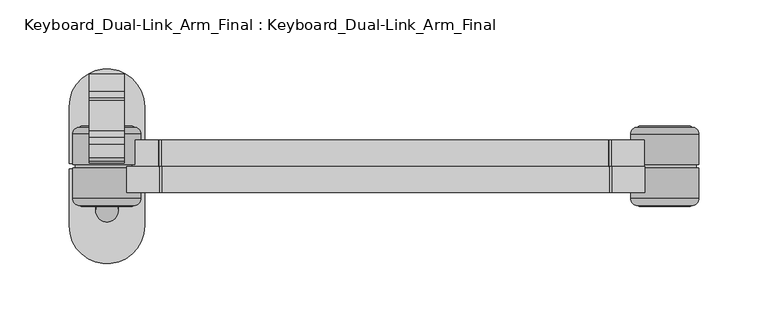
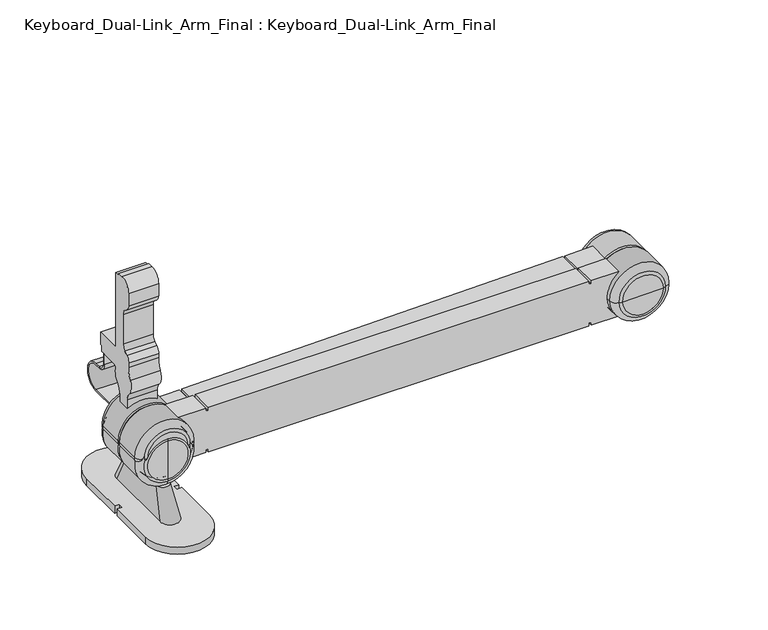
"""IFC4 building model written with IfcOpenShell, lengths in millimetres: proxy geometry, Keyboard_Dual-Link_Arm_Final : Keyboard_Dual-Link_Arm_Final."""

from ifc_helpers import new_model, si_unit, point, frame, frame_2d, origin, origin_with_axes, place, context, project, spatial, polyline, circle_curve, ellipse_curve, trimmed, segment, composite_curve, outline, extrude, source, transform, mapped, element, save
from ifc_brep_helpers import plane_surface, cylinder_surface, revolved_surface, spline_surface, advanced_brep


def keyboard_dual_link_arm_final_keyboard_dual_link_arm_final_a7557edf(model_context):
    return source(origin(), model_context, "Body", "SolidModel", [
        extrude(outline(composite_curve([segment(polyline([(8.2527066, 84.0033549), (8.2527066, 92.8465385)]), True, "CONTINUOUS"), segment(trimmed(circle_curve(frame_2d((-1.8257278, 92.8465385)), 10.0784343), [point((8.2527066, 92.8465385))], [point((5.5446429, 99.720582))], True, "CARTESIAN"), True, "CONTINUOUS"), segment(trimmed(circle_curve(frame_2d((14.0890625, 107.689613)), 11.683859), [point((5.5446429, 99.720582))], [point((3.772683, 113.174581))], False, "CARTESIAN"), True, "CONTINUOUS"), segment(trimmed(circle_curve(frame_2d((-15.0783759, 123.1972303)), 21.3498459), [point((3.772683, 113.174581))], [point((6.27147, 123.1972303))], True, "CARTESIAN"), True, "CONTINUOUS"), segment(polyline([(6.27147, 123.1972303), (6.27147, 126.9847873)]), True, "CONTINUOUS"), segment(trimmed(circle_curve(frame_2d((12.8151858, 127.1361352)), 6.5454658), [point((6.27147, 126.9847873))], [point((8.8749457, 132.3627622))], False, "CARTESIAN"), True, "CONTINUOUS"), segment(polyline([(8.8749457, 132.3627622), (11.7605246, 134.4142825)]), True, "CONTINUOUS"), segment(trimmed(circle_curve(frame_2d((7.8346579, 139.5355425)), 6.4528857), [point((11.7605246, 134.4142825))], [point((14.2875, 139.5592482))], True, "CARTESIAN"), True, "CONTINUOUS"), segment(polyline([(14.2875, 139.5592482), (14.2875, 165.99204)]), True, "CONTINUOUS"), segment(trimmed(circle_curve(frame_2d((7.8266129, 165.99204)), 6.4608871), [point((14.2875, 165.99204))], [point((11.7447872, 171.1292545))], True, "CARTESIAN"), True, "CONTINUOUS"), segment(polyline([(11.7447872, 171.1292545), (8.9597445, 173.2965044)]), True, "CONTINUOUS"), segment(trimmed(circle_curve(frame_2d((12.9196233, 178.38882)), 6.450761), [point((8.9597445, 173.2965044))], [point((6.4688622, 178.38882))], False, "CARTESIAN"), True, "CONTINUOUS"), segment(polyline([(6.4688622, 178.38882), (6.4688622, 189.2683024)]), True, "CONTINUOUS"), segment(trimmed(circle_curve(frame_2d((16.1477737, 189.2683024)), 9.6789115), [point((6.4688622, 189.2683024))], [point((16.1477737, 198.9472138))], False, "CARTESIAN"), True, "CONTINUOUS"), segment(polyline([(16.1477737, 198.9472138), (20.6607045, 198.9472138), (20.6607045, 196.784501), (25.5253784, 196.784501), (25.5253784, 129.8138648), (47.6090998, 129.8138648), (47.6090998, 118.7013648), (45.8138657, 118.7013648), (45.8138657, 113.6542976), (43.153389, 113.6542976), (43.153389, 104.1692684)]), True, "CONTINUOUS"), segment(trimmed(circle_curve(frame_2d((49.8582958, 104.1692684)), 6.7049069), [point((43.153389, 104.1692684))], [point((49.8582958, 97.4643615))], True, "CARTESIAN"), True, "CONTINUOUS"), segment(polyline([(49.8582958, 97.4643615), (54.4608333, 97.4643615)]), True, "CONTINUOUS"), segment(trimmed(circle_curve(frame_2d((54.4608333, 85.076563)), 12.3877984), [point((54.4608333, 97.4643615))], [point((54.4608333, 72.6887646))], False, "CARTESIAN"), True, "CONTINUOUS"), segment(polyline([(54.4608333, 72.6887646), (29.2471299, 72.6887646), (29.2471299, 73.9786083), (54.4608333, 73.9786083)]), True, "CONTINUOUS"), segment(trimmed(circle_curve(frame_2d((54.4608333, 85.076563)), 11.0979547), [point((54.4608333, 73.9786083))], [point((54.4608333, 96.1745177))], True, "CARTESIAN"), True, "CONTINUOUS"), segment(polyline([(54.4608333, 96.1745177), (49.8582958, 96.1745177)]), True, "CONTINUOUS"), segment(trimmed(circle_curve(frame_2d((49.8582958, 104.1692684)), 7.9947506), [point((49.8582958, 96.1745177))], [point((41.8635452, 104.1692684))], False, "CARTESIAN"), True, "CONTINUOUS"), segment(polyline([(41.8635452, 104.1692684), (41.8635452, 113.6542976), (28.0006405, 113.6542976)]), True, "CONTINUOUS"), segment(trimmed(circle_curve(frame_2d((28.0006405, 111.0309394)), 2.6233583), [point((28.0006405, 113.6542976))], [point((25.4498263, 110.4182768))], True, "CARTESIAN"), True, "CONTINUOUS"), segment(trimmed(circle_curve(frame_2d((14.0890625, 107.689613)), 11.683859), [point((25.4498263, 110.4182768))], [point((22.5234541, 99.6042189))], False, "CARTESIAN"), True, "CONTINUOUS"), segment(trimmed(circle_curve(frame_2d((31.6913818, 90.815641)), 12.7), [point((22.5234541, 99.6042189))], [point((18.9913818, 90.815641))], True, "CARTESIAN"), True, "CONTINUOUS"), segment(polyline([(18.9913818, 90.815641), (18.9913818, 84.0033549), (8.2527066, 84.0033549)]), True, "CONTINUOUS")], self_intersect=False)), frame((-12.7614131, 0.0, 0.0), z_axis=(1.0, 0.0, 0.0), x_axis=(0.0, 1.0, 0.0)), (0.0, 0.0, 1.0), 25.4),
        extrude(outline(composite_curve([segment(polyline([(84.0688744, 388.5881689), (84.0688744, 365.1673363), (81.6382342, 365.1673363), (81.6382342, 363.1430879), (84.0688744, 363.1430879), (84.0688744, 39.9590858), (81.6382342, 39.9590858), (81.6382342, 37.9348375), (84.0688744, 37.9348375), (84.0688744, 14.5140048)]), True, "CONTINUOUS"), segment(trimmed(circle_curve(frame_2d((64.1872466, -0.0614131)), 24.6520168), [point((84.0688744, 14.5140048))], [point((64.1872466, 24.5906037))], True, "CARTESIAN"), True, "CONTINUOUS"), segment(trimmed(circle_curve(frame_2d((64.1872466, -0.0614131)), 24.6520168), [point((64.1872466, 24.5906037))], [point((44.3056187, 14.5140048))], True, "CARTESIAN"), True, "CONTINUOUS"), segment(polyline([(44.3056187, 14.5140048), (44.3056187, 37.9348375), (46.736259, 37.9348375), (46.736259, 39.9590858), (44.3056187, 39.9590858), (44.3056187, 363.1430879), (46.736259, 363.1430879), (46.736259, 365.1673363), (44.3056187, 365.1673363), (44.3056187, 388.5881689)]), True, "CONTINUOUS"), segment(trimmed(circle_curve(frame_2d((64.1872466, 403.1635869)), 24.6520168), [point((44.3056187, 388.5881689))], [point((64.1872466, 378.51157))], True, "CARTESIAN"), True, "CONTINUOUS"), segment(trimmed(circle_curve(frame_2d((64.1872466, 403.1635869)), 24.6520168), [point((64.1872466, 378.51157))], [point((84.0688744, 388.5881689))], True, "CARTESIAN"), True, "CONTINUOUS")], self_intersect=False)), frame((0.0, -19.05, 0.0), z_axis=(0.0, 1.0, 0.0), x_axis=(0.0, 0.0, 1.0)), (0.0, 0.0, 1.0), 19.05),
        extrude(outline(composite_curve([segment(polyline([(37.5257763, 14.9201803), (37.9345262, 38.3374458), (40.3647963, 38.2950253), (40.4001243, 40.3189654), (37.9698542, 40.3613859), (43.6101928, 363.4961655), (46.0404629, 363.453745), (46.0757909, 365.477685), (43.6455208, 365.5201055), (44.0542707, 388.9373711)]), True, "CONTINUOUS"), segment(trimmed(circle_curve(frame_2d((64.1872466, 403.1635869)), 24.6520168), [point((44.0542707, 388.9373711))], [point((63.7570096, 378.5153247))], True, "CARTESIAN"), True, "CONTINUOUS"), segment(trimmed(circle_curve(frame_2d((64.1872466, 403.1635869)), 24.6520168), [point((63.7570096, 378.5153247))], [point((83.8114702, 388.2434066))], True, "CARTESIAN"), True, "CONTINUOUS"), segment(polyline([(83.8114702, 388.2434066), (83.4027203, 364.826141), (80.9724503, 364.8685616), (80.9371223, 362.8446215), (83.3673923, 362.802201), (77.7270538, 39.6674214), (75.2967837, 39.7098419), (75.2614557, 37.6859019), (77.6917258, 37.6434813), (77.2829759, 14.2262158)]), True, "CONTINUOUS"), segment(trimmed(circle_curve(frame_2d((57.15, 0.0)), 24.6520168), [point((77.2829759, 14.2262158))], [point((57.580237, 24.6482622))], True, "CARTESIAN"), True, "CONTINUOUS"), segment(trimmed(circle_curve(frame_2d((57.15, 0.0)), 24.6520168), [point((57.580237, 24.6482622))], [point((37.5257763, 14.9201803))], True, "CARTESIAN"), True, "CONTINUOUS")], self_intersect=False)), frame((0.0, 0.0, 0.0), z_axis=(0.0, 1.0, 0.0), x_axis=(0.0, 0.0, 1.0)), (0.0, 0.0, 1.0), 19.05),
        advanced_brep(
        [(0.0, -29.2471299, 74.2044566), (0.0, -29.2471299, 40.0955434), (0.0, -29.2471299, 57.15), (0.0, -28.2791366, 76.8005348), (0.0, -28.2791366, 37.4994652), (0.0, -23.3656038, 81.8020168), (0.0, -23.3656038, 32.4979832), (0.0, -1.1824193, 81.8020168), (0.0, -1.1824193, 32.4979832), (0.0, -1.1824193, 79.9979466), (0.0, -1.1824193, 34.3020534), (0.0, 1.1824193, 79.9979466), (0.0, 1.1824193, 34.3020534), (0.0, 1.1824193, 81.8020168), (0.0, 1.1824193, 32.4979832), (0.0, 23.3656038, 81.8020168), (0.0, 23.3656038, 32.4979832), (0.0, 28.2791366, 76.8005348), (0.0, 28.2791366, 37.4994652), (0.0, 29.2471299, 74.2044566), (0.0, 29.2471299, 40.0955434), (0.0, 29.2471299, 57.15)],
        [
            (0, 1, circle_curve(frame((0.0, -29.2471299, 57.15), z_axis=(0.0, -1.0, 0.0), x_axis=(0.0, 0.0, -1.0)), 17.0544566)),
            (1, 2),
            (2, 0),
            (1, 0, circle_curve(frame((0.0, -29.2471299, 57.15), z_axis=(0.0, -1.0, 0.0), x_axis=(0.0, 0.0, -1.0)), 17.0544566)),
            (3, 4, circle_curve(frame((0.0, -28.2791366, 57.15), z_axis=(0.0, -1.0, 0.0), x_axis=(0.0, 0.0, -1.0)), 19.6505348)),
            (4, 1, circle_curve(frame((0.0, -25.5205933, 40.0065422), z_axis=(-1.0, 0.0, 0.0), x_axis=(0.0, 1.0, 0.0)), 3.7275992)),
            (0, 3, circle_curve(frame((0.0, -25.5205933, 74.2934578), z_axis=(-1.0, 0.0, 0.0), x_axis=(0.0, 1.0, 0.0)), 3.7275992)),
            (4, 3, circle_curve(frame((0.0, -28.2791366, 57.15), z_axis=(0.0, -1.0, 0.0), x_axis=(0.0, 0.0, -1.0)), 19.6505348)),
            (5, 6, circle_curve(frame((0.0, -23.3656038, 57.15), z_axis=(0.0, -1.0, 0.0), x_axis=(0.0, 0.0, -1.0)), 24.6520168)),
            (6, 4, circle_curve(frame((0.0, -23.2768674, 37.4994652), z_axis=(-1.0, 0.0, 0.0), x_axis=(0.0, 1.0, 0.0)), 5.0022691)),
            (3, 5, circle_curve(frame((0.0, -23.2768674, 76.8005348), z_axis=(-1.0, 0.0, 0.0), x_axis=(0.0, 1.0, 0.0)), 5.0022691)),
            (6, 5, circle_curve(frame((0.0, -23.3656038, 57.15), z_axis=(0.0, -1.0, 0.0), x_axis=(0.0, 0.0, -1.0)), 24.6520168)),
            (7, 8, circle_curve(frame((0.0, -1.1824193, 57.15), z_axis=(0.0, -1.0, 0.0), x_axis=(0.0, 0.0, -1.0)), 24.6520168)),
            (8, 6),
            (5, 7),
            (8, 7, circle_curve(frame((0.0, -1.1824193, 57.15), z_axis=(0.0, -1.0, 0.0), x_axis=(0.0, 0.0, -1.0)), 24.6520168)),
            (9, 10, circle_curve(frame((0.0, -1.1824193, 57.15), z_axis=(0.0, -1.0, 0.0), x_axis=(0.0, 0.0, -1.0)), 22.8479466)),
            (10, 8),
            (7, 9),
            (10, 9, circle_curve(frame((0.0, -1.1824193, 57.15), z_axis=(0.0, -1.0, 0.0), x_axis=(0.0, 0.0, -1.0)), 22.8479466)),
            (11, 12, circle_curve(frame((0.0, 1.1824193, 57.15), z_axis=(0.0, -1.0, 0.0), x_axis=(0.0, 0.0, -1.0)), 22.8479466)),
            (12, 10),
            (9, 11),
            (12, 11, circle_curve(frame((0.0, 1.1824193, 57.15), z_axis=(0.0, -1.0, 0.0), x_axis=(0.0, 0.0, -1.0)), 22.8479466)),
            (13, 14, circle_curve(frame((0.0, 1.1824193, 57.15), z_axis=(0.0, -1.0, 0.0), x_axis=(0.0, 0.0, -1.0)), 24.6520168)),
            (14, 12),
            (11, 13),
            (14, 13, circle_curve(frame((0.0, 1.1824193, 57.15), z_axis=(0.0, -1.0, 0.0), x_axis=(0.0, 0.0, -1.0)), 24.6520168)),
            (15, 16, circle_curve(frame((0.0, 23.3656038, 57.15), z_axis=(0.0, -1.0, 0.0), x_axis=(0.0, 0.0, -1.0)), 24.6520168)),
            (16, 14),
            (13, 15),
            (16, 15, circle_curve(frame((0.0, 23.3656038, 57.15), z_axis=(0.0, -1.0, 0.0), x_axis=(0.0, 0.0, -1.0)), 24.6520168)),
            (17, 18, circle_curve(frame((0.0, 28.2791366, 57.15), z_axis=(0.0, -1.0, 0.0), x_axis=(0.0, 0.0, -1.0)), 19.6505348)),
            (18, 16, circle_curve(frame((0.0, 23.2768674, 37.4994652), z_axis=(-1.0, 0.0, 0.0), x_axis=(0.0, 1.0, 0.0)), 5.0022691)),
            (15, 17, circle_curve(frame((0.0, 23.2768674, 76.8005348), z_axis=(-1.0, 0.0, 0.0), x_axis=(0.0, 1.0, 0.0)), 5.0022691)),
            (18, 17, circle_curve(frame((0.0, 28.2791366, 57.15), z_axis=(0.0, -1.0, 0.0), x_axis=(0.0, 0.0, -1.0)), 19.6505348)),
            (19, 20, circle_curve(frame((0.0, 29.2471299, 57.15), z_axis=(0.0, -1.0, 0.0), x_axis=(0.0, 0.0, -1.0)), 17.0544566)),
            (20, 18, circle_curve(frame((0.0, 25.5205933, 40.0065422), z_axis=(-1.0, 0.0, 0.0), x_axis=(0.0, 1.0, 0.0)), 3.7275992)),
            (17, 19, circle_curve(frame((0.0, 25.5205933, 74.2934578), z_axis=(-1.0, 0.0, 0.0), x_axis=(0.0, 1.0, 0.0)), 3.7275992)),
            (20, 19, circle_curve(frame((0.0, 29.2471299, 57.15), z_axis=(0.0, -1.0, 0.0), x_axis=(0.0, 0.0, -1.0)), 17.0544566)),
            (21, 20),
            (19, 21),
        ],
        [
            plane_surface(frame((0.0, -29.2471299, 57.15), z_axis=(0.0, -1.0, 0.0), x_axis=(0.0, 0.0, -1.0))),
            revolved_surface(trimmed(ellipse_curve(frame((0.0, -25.5205933, 40.0065422), z_axis=(1.0, 0.0, 0.0), x_axis=(0.0, 1.0, 0.0)), 3.7275992, 3.7275992), [point((0.0, -29.2471299, 40.0955434))], [point((0.0, -28.2791366, 37.4994652))], True, "CARTESIAN"), (0.0, 29.2471299, 57.15), (0.0, 1.0, 0.0)),
            revolved_surface(trimmed(ellipse_curve(frame((0.0, -23.2768674, 37.4994652), z_axis=(1.0, 0.0, 0.0), x_axis=(0.0, 1.0, 0.0)), 5.0022691, 5.0022691), [point((0.0, -28.2791366, 37.4994652))], [point((0.0, -23.3656038, 32.4979832))], True, "CARTESIAN"), (0.0, 29.2471299, 57.15), (0.0, 1.0, 0.0)),
            cylinder_surface(frame((0.0, 29.2471299, 57.15), z_axis=(0.0, 1.0, 0.0), x_axis=(0.0, 0.0, -1.0)), 24.6520168),
            plane_surface(frame((0.0, -1.1824193, 57.15), z_axis=(0.0, 1.0, 0.0), x_axis=(0.0, 0.0, -1.0))),
            cylinder_surface(frame((0.0, 29.2471299, 57.15), z_axis=(0.0, 1.0, 0.0), x_axis=(0.0, 0.0, -1.0)), 22.8479466),
            plane_surface(frame((0.0, 1.1824193, 57.15), z_axis=(0.0, -1.0, 0.0), x_axis=(0.0, 0.0, -1.0))),
            revolved_surface(trimmed(ellipse_curve(frame((0.0, 23.2768674, 37.4994652), z_axis=(1.0, 0.0, 0.0), x_axis=(0.0, 1.0, 0.0)), 5.0022691, 5.0022691), [point((0.0, 23.3656038, 32.4979832))], [point((0.0, 28.2791366, 37.4994652))], True, "CARTESIAN"), (0.0, 29.2471299, 57.15), (0.0, 1.0, 0.0)),
            revolved_surface(trimmed(ellipse_curve(frame((0.0, 25.5205933, 40.0065422), z_axis=(1.0, 0.0, 0.0), x_axis=(0.0, 1.0, 0.0)), 3.7275992, 3.7275992), [point((0.0, 28.2791366, 37.4994652))], [point((0.0, 29.2471299, 40.0955434))], True, "CARTESIAN"), (0.0, 29.2471299, 57.15), (0.0, 1.0, 0.0)),
            plane_surface(frame((0.0, 29.2471299, 57.15), z_axis=(0.0, 1.0, 0.0), x_axis=(0.0, 0.0, -1.0))),
        ],
        [
            (0, [[1, 2, 3]]),
            (0, [[4, -3, -2]]),
            (1, [[5, 6, -1, 7]]),
            (1, [[8, -7, -4, -6]]),
            (2, [[9, 10, -5, 11]]),
            (2, [[12, -11, -8, -10]]),
            (3, [[13, 14, -9, 15]]),
            (3, [[16, -15, -12, -14]]),
            (4, [[17, 18, -13, 19]]),
            (4, [[20, -19, -16, -18]]),
            (5, [[21, 22, -17, 23]]),
            (5, [[24, -23, -20, -22]]),
            (6, [[25, 26, -21, 27]]),
            (6, [[28, -27, -24, -26]]),
            (3, [[29, 30, -25, 31]]),
            (3, [[32, -31, -28, -30]]),
            (7, [[33, 34, -29, 35]]),
            (7, [[36, -35, -32, -34]]),
            (8, [[37, 38, -33, 39]]),
            (8, [[40, -39, -36, -38]]),
            (9, [[41, -37, 42]]),
            (9, [[-42, -40, -41]]),
        ],
    ),
        advanced_brep(
        [(-17.1158697, -29.2471299, 64.1872466), (16.9930435, -29.2471299, 64.1872466), (-0.0614131, -29.2471299, 64.1872466), (-19.7119479, -28.2791366, 64.1872466), (19.5891217, -28.2791366, 64.1872466), (-24.71343, -23.3656038, 64.1872466), (24.5906037, -23.3656038, 64.1872466), (-24.71343, -1.1824193, 64.1872466), (24.5906037, -1.1824193, 64.1872466), (-22.9093597, -1.1824193, 64.1872466), (22.7865335, -1.1824193, 64.1872466), (-22.9093597, 1.1824193, 64.1872466), (22.7865335, 1.1824193, 64.1872466), (-24.71343, 1.1824193, 64.1872466), (24.5906037, 1.1824193, 64.1872466), (-24.71343, 23.3656038, 64.1872466), (24.5906037, 23.3656038, 64.1872466), (-19.7119479, 28.2791366, 64.1872466), (19.5891217, 28.2791366, 64.1872466), (-17.1158697, 29.2471299, 64.1872466), (16.9930435, 29.2471299, 64.1872466), (-0.0614131, 29.2471299, 64.1872466)],
        [
            (0, 1, circle_curve(frame((-0.0614131, -29.2471299, 64.1872466), z_axis=(0.0, -1.0, 0.0), x_axis=(1.0, 0.0, 0.0)), 17.0544566)),
            (1, 2),
            (2, 0),
            (1, 0, circle_curve(frame((-0.0614131, -29.2471299, 64.1872466), z_axis=(0.0, -1.0, 0.0), x_axis=(1.0, 0.0, 0.0)), 17.0544566)),
            (3, 4, circle_curve(frame((-0.0614131, -28.2791366, 64.1872466), z_axis=(0.0, -1.0, 0.0), x_axis=(1.0, 0.0, 0.0)), 19.6505348)),
            (4, 1, circle_curve(frame((17.0820447, -25.5205933, 64.1872466), z_axis=(0.0, 0.0, -1.0), x_axis=(-1.0, 0.0, 0.0)), 3.7275992)),
            (0, 3, circle_curve(frame((-17.2048709, -25.5205933, 64.1872466), z_axis=(0.0, 0.0, -1.0), x_axis=(1.0, 0.0, 0.0)), 3.7275992)),
            (4, 3, circle_curve(frame((-0.0614131, -28.2791366, 64.1872466), z_axis=(0.0, -1.0, 0.0), x_axis=(1.0, 0.0, 0.0)), 19.6505348)),
            (5, 6, circle_curve(frame((-0.0614131, -23.3656038, 64.1872466), z_axis=(0.0, -1.0, 0.0), x_axis=(1.0, 0.0, 0.0)), 24.6520168)),
            (6, 4, circle_curve(frame((19.5891217, -23.2768674, 64.1872466), z_axis=(0.0, 0.0, -1.0), x_axis=(-1.0, 0.0, 0.0)), 5.0022691)),
            (3, 5, circle_curve(frame((-19.7119479, -23.2768674, 64.1872466), z_axis=(0.0, 0.0, -1.0), x_axis=(1.0, 0.0, 0.0)), 5.0022691)),
            (6, 5, circle_curve(frame((-0.0614131, -23.3656038, 64.1872466), z_axis=(0.0, -1.0, 0.0), x_axis=(1.0, 0.0, 0.0)), 24.6520168)),
            (7, 8, circle_curve(frame((-0.0614131, -1.1824193, 64.1872466), z_axis=(0.0, -1.0, 0.0), x_axis=(1.0, 0.0, 0.0)), 24.6520168)),
            (8, 6),
            (5, 7),
            (8, 7, circle_curve(frame((-0.0614131, -1.1824193, 64.1872466), z_axis=(0.0, -1.0, 0.0), x_axis=(1.0, 0.0, 0.0)), 24.6520168)),
            (9, 10, circle_curve(frame((-0.0614131, -1.1824193, 64.1872466), z_axis=(0.0, -1.0, 0.0), x_axis=(1.0, 0.0, 0.0)), 22.8479466)),
            (10, 8),
            (7, 9),
            (10, 9, circle_curve(frame((-0.0614131, -1.1824193, 64.1872466), z_axis=(0.0, -1.0, 0.0), x_axis=(1.0, 0.0, 0.0)), 22.8479466)),
            (11, 12, circle_curve(frame((-0.0614131, 1.1824193, 64.1872466), z_axis=(0.0, -1.0, 0.0), x_axis=(1.0, 0.0, 0.0)), 22.8479466)),
            (12, 10),
            (9, 11),
            (12, 11, circle_curve(frame((-0.0614131, 1.1824193, 64.1872466), z_axis=(0.0, -1.0, 0.0), x_axis=(1.0, 0.0, 0.0)), 22.8479466)),
            (13, 14, circle_curve(frame((-0.0614131, 1.1824193, 64.1872466), z_axis=(0.0, -1.0, 0.0), x_axis=(1.0, 0.0, 0.0)), 24.6520168)),
            (14, 12),
            (11, 13),
            (14, 13, circle_curve(frame((-0.0614131, 1.1824193, 64.1872466), z_axis=(0.0, -1.0, 0.0), x_axis=(1.0, 0.0, 0.0)), 24.6520168)),
            (15, 16, circle_curve(frame((-0.0614131, 23.3656038, 64.1872466), z_axis=(0.0, -1.0, 0.0), x_axis=(1.0, 0.0, 0.0)), 24.6520168)),
            (16, 14),
            (13, 15),
            (16, 15, circle_curve(frame((-0.0614131, 23.3656038, 64.1872466), z_axis=(0.0, -1.0, 0.0), x_axis=(1.0, 0.0, 0.0)), 24.6520168)),
            (17, 18, circle_curve(frame((-0.0614131, 28.2791366, 64.1872466), z_axis=(0.0, -1.0, 0.0), x_axis=(1.0, 0.0, 0.0)), 19.6505348)),
            (18, 16, circle_curve(frame((19.5891217, 23.2768674, 64.1872466), z_axis=(0.0, 0.0, -1.0), x_axis=(-1.0, 0.0, 0.0)), 5.0022691)),
            (15, 17, circle_curve(frame((-19.7119479, 23.2768674, 64.1872466), z_axis=(0.0, 0.0, -1.0), x_axis=(1.0, 0.0, 0.0)), 5.0022691)),
            (18, 17, circle_curve(frame((-0.0614131, 28.2791366, 64.1872466), z_axis=(0.0, -1.0, 0.0), x_axis=(1.0, 0.0, 0.0)), 19.6505348)),
            (19, 20, circle_curve(frame((-0.0614131, 29.2471299, 64.1872466), z_axis=(0.0, -1.0, 0.0), x_axis=(1.0, 0.0, 0.0)), 17.0544566)),
            (20, 18, circle_curve(frame((17.0820447, 25.5205933, 64.1872466), z_axis=(0.0, 0.0, -1.0), x_axis=(-1.0, 0.0, 0.0)), 3.7275992)),
            (17, 19, circle_curve(frame((-17.2048709, 25.5205933, 64.1872466), z_axis=(0.0, 0.0, -1.0), x_axis=(1.0, 0.0, 0.0)), 3.7275992)),
            (20, 19, circle_curve(frame((-0.0614131, 29.2471299, 64.1872466), z_axis=(0.0, -1.0, 0.0), x_axis=(1.0, 0.0, 0.0)), 17.0544566)),
            (21, 20),
            (19, 21),
        ],
        [
            plane_surface(frame((-0.0614131, -29.2471299, 64.1872466), z_axis=(0.0, -1.0, 0.0), x_axis=(1.0, 0.0, 0.0))),
            revolved_surface(trimmed(ellipse_curve(frame((17.0820447, -25.5205933, 64.1872466), z_axis=(0.0, 0.0, 1.0), x_axis=(-1.0, 0.0, 0.0)), 3.7275992, 3.7275992), [point((16.9930435, -29.2471299, 64.1872466))], [point((19.5891217, -28.2791366, 64.1872466))], True, "CARTESIAN"), (-0.0614131, 29.2471299, 64.1872466), (0.0, 1.0, 0.0)),
            revolved_surface(trimmed(ellipse_curve(frame((19.5891217, -23.2768674, 64.1872466), z_axis=(0.0, 0.0, 1.0), x_axis=(-1.0, 0.0, 0.0)), 5.0022691, 5.0022691), [point((19.5891217, -28.2791366, 64.1872466))], [point((24.5906037, -23.3656038, 64.1872466))], True, "CARTESIAN"), (-0.0614131, 29.2471299, 64.1872466), (0.0, 1.0, 0.0)),
            cylinder_surface(frame((-0.0614131, 29.2471299, 64.1872466), z_axis=(0.0, 1.0, 0.0), x_axis=(1.0, 0.0, 0.0)), 24.6520168),
            plane_surface(frame((-0.0614131, -1.1824193, 64.1872466), z_axis=(0.0, 1.0, 0.0), x_axis=(1.0, 0.0, 0.0))),
            cylinder_surface(frame((-0.0614131, 29.2471299, 64.1872466), z_axis=(0.0, 1.0, 0.0), x_axis=(1.0, 0.0, 0.0)), 22.8479466),
            plane_surface(frame((-0.0614131, 1.1824193, 64.1872466), z_axis=(0.0, -1.0, 0.0), x_axis=(1.0, 0.0, 0.0))),
            revolved_surface(trimmed(ellipse_curve(frame((19.5891217, 23.2768674, 64.1872466), z_axis=(0.0, 0.0, 1.0), x_axis=(-1.0, 0.0, 0.0)), 5.0022691, 5.0022691), [point((24.5906037, 23.3656038, 64.1872466))], [point((19.5891217, 28.2791366, 64.1872466))], True, "CARTESIAN"), (-0.0614131, 29.2471299, 64.1872466), (0.0, 1.0, 0.0)),
            revolved_surface(trimmed(ellipse_curve(frame((17.0820447, 25.5205933, 64.1872466), z_axis=(0.0, 0.0, 1.0), x_axis=(-1.0, 0.0, 0.0)), 3.7275992, 3.7275992), [point((19.5891217, 28.2791366, 64.1872466))], [point((16.9930435, 29.2471299, 64.1872466))], True, "CARTESIAN"), (-0.0614131, 29.2471299, 64.1872466), (0.0, 1.0, 0.0)),
            plane_surface(frame((-0.0614131, 29.2471299, 64.1872466), z_axis=(0.0, 1.0, 0.0), x_axis=(1.0, 0.0, 0.0))),
        ],
        [
            (0, [[1, 2, 3]]),
            (0, [[4, -3, -2]]),
            (1, [[5, 6, -1, 7]]),
            (1, [[8, -7, -4, -6]]),
            (2, [[9, 10, -5, 11]]),
            (2, [[12, -11, -8, -10]]),
            (3, [[13, 14, -9, 15]]),
            (3, [[16, -15, -12, -14]]),
            (4, [[17, 18, -13, 19]]),
            (4, [[20, -19, -16, -18]]),
            (5, [[21, 22, -17, 23]]),
            (5, [[24, -23, -20, -22]]),
            (6, [[25, 26, -21, 27]]),
            (6, [[28, -27, -24, -26]]),
            (3, [[29, 30, -25, 31]]),
            (3, [[32, -31, -28, -30]]),
            (7, [[33, 34, -29, 35]]),
            (7, [[36, -35, -32, -34]]),
            (8, [[37, 38, -33, 39]]),
            (8, [[40, -39, -36, -38]]),
            (9, [[41, -37, 42]]),
            (9, [[-42, -40, -41]]),
        ],
    ),
        advanced_brep(
        [(420.215446, -29.2471299, 64.4848879), (386.1117278, -29.2471299, 63.8896053), (403.1635869, -29.2471299, 64.1872466), (422.8111288, -28.2791366, 64.5301957), (383.5160449, -28.2791366, 63.8442975), (427.8118491, -23.3656038, 64.6174836), (378.5153247, -23.3656038, 63.7570096), (426.0080536, -1.1824193, 64.5859982), (380.3191201, -1.1824193, 63.7884949), (378.5153247, -1.1824193, 63.7570096), (427.8118491, -1.1824193, 64.6174836), (426.0080536, 1.1824193, 64.5859982), (380.3191201, 1.1824193, 63.7884949), (427.8118491, 1.1824193, 64.6174836), (378.5153247, 1.1824193, 63.7570096), (422.8111288, 28.2791366, 64.5301957), (383.5160449, 28.2791366, 63.8442975), (378.5153247, 23.3656038, 63.7570096), (427.8118491, 23.3656038, 64.6174836), (420.215446, 29.2471299, 64.4848879), (386.1117278, 29.2471299, 63.8896053), (403.1635869, 29.2471299, 64.1872466)],
        [
            (0, 1, circle_curve(frame((403.1635869, -29.2471299, 64.1872466), z_axis=(0.0, -1.0, 0.0), x_axis=(-0.9998476951563913, 0.0, -0.017452406437280226)), 17.0544566)),
            (1, 2),
            (2, 0),
            (1, 0, circle_curve(frame((403.1635869, -29.2471299, 64.1872466), z_axis=(0.0, -1.0, 0.0), x_axis=(-0.9998476951563913, 0.0, -0.017452406437280226)), 17.0544566)),
            (3, 4, circle_curve(frame((403.1635869, -28.2791366, 64.1872466), z_axis=(0.0, -1.0, 0.0), x_axis=(-0.9998476951563913, 0.0, -0.017452406437280226)), 19.6505348)),
            (4, 1, circle_curve(frame((386.0227401, -25.5205933, 63.888052), z_axis=(-0.017452406437280292, 0.0, 0.9998476951563913), x_axis=(0.9998476951563913, 0.0, 0.017452406437280292)), 3.7275992)),
            (0, 3, circle_curve(frame((420.3044336, -25.5205933, 64.4864412), z_axis=(-0.017452406437283522, 0.0, 0.9998476951563912), x_axis=(-0.9998476951563912, 0.0, -0.017452406437283522)), 3.7275992)),
            (4, 3, circle_curve(frame((403.1635869, -28.2791366, 64.1872466), z_axis=(0.0, -1.0, 0.0), x_axis=(-0.9998476951563913, 0.0, -0.017452406437280226)), 19.6505348)),
            (5, 6, circle_curve(frame((403.1635869, -23.3656038, 64.1872466), z_axis=(0.0, -1.0, 0.0), x_axis=(-0.9998476951563913, 0.0, -0.017452406437280226)), 24.6520168)),
            (6, 4, circle_curve(frame((383.5160449, -23.2768674, 63.8442975), z_axis=(-0.017452406437280292, 0.0, 0.9998476951563913), x_axis=(0.9998476951563913, 0.0, 0.017452406437280292)), 5.0022691)),
            (3, 5, circle_curve(frame((422.8111288, -23.2768674, 64.5301957), z_axis=(-0.017452406437283522, 0.0, 0.9998476951563912), x_axis=(-0.9998476951563912, 0.0, -0.017452406437283522)), 5.0022691)),
            (6, 5, circle_curve(frame((403.1635869, -23.3656038, 64.1872466), z_axis=(0.0, -1.0, 0.0), x_axis=(-0.9998476951563913, 0.0, -0.017452406437280226)), 24.6520168)),
            (7, 8, circle_curve(frame((403.1635869, -1.1824193, 64.1872466), z_axis=(0.0, -1.0, 0.0), x_axis=(-0.9998476951563913, 0.0, -0.017452406437280226)), 22.8479466)),
            (8, 9),
            (9, 10, circle_curve(frame((403.1635869, -1.1824193, 64.1872466), z_axis=(0.0, 1.0, 0.0), x_axis=(-0.9998476951563913, 0.0, -0.017452406437280226)), 24.6520168)),
            (10, 7),
            (8, 7, circle_curve(frame((403.1635869, -1.1824193, 64.1872466), z_axis=(0.0, -1.0, 0.0), x_axis=(-0.9998476951563913, 0.0, -0.017452406437280226)), 22.8479466)),
            (10, 9, circle_curve(frame((403.1635869, -1.1824193, 64.1872466), z_axis=(0.0, 1.0, 0.0), x_axis=(-0.9998476951563913, 0.0, -0.017452406437280226)), 24.6520168)),
            (11, 12, circle_curve(frame((403.1635869, 1.1824193, 64.1872466), z_axis=(0.0, -1.0, 0.0), x_axis=(-0.9998476951563913, 0.0, -0.017452406437280226)), 22.8479466)),
            (12, 8),
            (7, 11),
            (12, 11, circle_curve(frame((403.1635869, 1.1824193, 64.1872466), z_axis=(0.0, -1.0, 0.0), x_axis=(-0.9998476951563913, 0.0, -0.017452406437280226)), 22.8479466)),
            (13, 14, circle_curve(frame((403.1635869, 1.1824193, 64.1872466), z_axis=(0.0, -1.0, 0.0), x_axis=(-0.9998476951563913, 0.0, -0.017452406437280226)), 24.6520168)),
            (14, 12),
            (11, 13),
            (14, 13, circle_curve(frame((403.1635869, 1.1824193, 64.1872466), z_axis=(0.0, -1.0, 0.0), x_axis=(-0.9998476951563913, 0.0, -0.017452406437280226)), 24.6520168)),
            (15, 16, circle_curve(frame((403.1635869, 28.2791366, 64.1872466), z_axis=(0.0, -1.0, 0.0), x_axis=(-0.9998476951563913, 0.0, -0.017452406437280226)), 19.6505348)),
            (16, 17, circle_curve(frame((383.5160449, 23.2768674, 63.8442975), z_axis=(-0.017452406437280292, 0.0, 0.9998476951563913), x_axis=(0.9998476951563913, 0.0, 0.017452406437280292)), 5.0022691)),
            (17, 18, circle_curve(frame((403.1635869, 23.3656038, 64.1872466), z_axis=(0.0, 1.0, 0.0), x_axis=(-0.9998476951563913, 0.0, -0.017452406437280226)), 24.6520168)),
            (18, 15, circle_curve(frame((422.8111288, 23.2768674, 64.5301957), z_axis=(-0.017452406437283522, 0.0, 0.9998476951563912), x_axis=(-0.9998476951563912, 0.0, -0.017452406437283522)), 5.0022691)),
            (16, 15, circle_curve(frame((403.1635869, 28.2791366, 64.1872466), z_axis=(0.0, -1.0, 0.0), x_axis=(-0.9998476951563913, 0.0, -0.017452406437280226)), 19.6505348)),
            (18, 17, circle_curve(frame((403.1635869, 23.3656038, 64.1872466), z_axis=(0.0, 1.0, 0.0), x_axis=(-0.9998476951563913, 0.0, -0.017452406437280226)), 24.6520168)),
            (19, 20, circle_curve(frame((403.1635869, 29.2471299, 64.1872466), z_axis=(0.0, -1.0, 0.0), x_axis=(-0.9998476951563913, 0.0, -0.017452406437280226)), 17.0544566)),
            (20, 16, circle_curve(frame((386.0227401, 25.5205933, 63.888052), z_axis=(-0.017452406437280292, 0.0, 0.9998476951563913), x_axis=(0.9998476951563913, 0.0, 0.017452406437280292)), 3.7275992)),
            (15, 19, circle_curve(frame((420.3044336, 25.5205933, 64.4864412), z_axis=(-0.017452406437283522, 0.0, 0.9998476951563912), x_axis=(-0.9998476951563912, 0.0, -0.017452406437283522)), 3.7275992)),
            (20, 19, circle_curve(frame((403.1635869, 29.2471299, 64.1872466), z_axis=(0.0, -1.0, 0.0), x_axis=(-0.9998476951563913, 0.0, -0.017452406437280226)), 17.0544566)),
            (21, 20),
            (19, 21),
            (9, 6),
            (5, 10),
            (17, 14),
            (13, 18),
        ],
        [
            plane_surface(frame((403.1635869, -29.2471299, 64.1872466), z_axis=(0.0, -1.0, 0.0), x_axis=(-0.9998476951563913, 0.0, -0.017452406437280226))),
            revolved_surface(trimmed(ellipse_curve(frame((386.0227401, -25.5205933, 63.888052), z_axis=(0.017452406437280292, 0.0, -0.9998476951563913), x_axis=(0.9998476951563913, 0.0, 0.017452406437280292)), 3.7275992, 3.7275992), [point((386.1117278, -29.2471299, 63.8896053))], [point((383.5160449, -28.2791366, 63.8442975))], True, "CARTESIAN"), (403.1635869, 29.2471299, 64.1872466), (0.0, 1.0, 0.0)),
            revolved_surface(trimmed(ellipse_curve(frame((383.5160449, -23.2768674, 63.8442975), z_axis=(0.017452406437280292, 0.0, -0.9998476951563913), x_axis=(0.9998476951563913, 0.0, 0.017452406437280292)), 5.0022691, 5.0022691), [point((383.5160449, -28.2791366, 63.8442975))], [point((378.5153247, -23.3656038, 63.7570096))], True, "CARTESIAN"), (403.1635869, 29.2471299, 64.1872466), (0.0, 1.0, 0.0)),
            plane_surface(frame((403.1635869, -1.1824193, 64.1872466), z_axis=(0.0, 1.0, 0.0), x_axis=(-0.9998476951563913, 0.0, -0.017452406437280226))),
            cylinder_surface(frame((403.1635869, 29.2471299, 64.1872466), z_axis=(0.0, 1.0, 0.0), x_axis=(-0.9998476951563913, 0.0, -0.017452406437280226)), 22.8479466),
            plane_surface(frame((403.1635869, 1.1824193, 64.1872466), z_axis=(0.0, -1.0, 0.0), x_axis=(-0.9998476951563913, 0.0, -0.017452406437280226))),
            revolved_surface(trimmed(ellipse_curve(frame((383.5160449, 23.2768674, 63.8442975), z_axis=(0.017452406437280292, 0.0, -0.9998476951563913), x_axis=(0.9998476951563913, 0.0, 0.017452406437280292)), 5.0022691, 5.0022691), [point((378.5153247, 23.3656038, 63.7570096))], [point((383.5160449, 28.2791366, 63.8442975))], True, "CARTESIAN"), (403.1635869, 29.2471299, 64.1872466), (0.0, 1.0, 0.0)),
            revolved_surface(trimmed(ellipse_curve(frame((386.0227401, 25.5205933, 63.888052), z_axis=(0.017452406437280292, 0.0, -0.9998476951563913), x_axis=(0.9998476951563913, 0.0, 0.017452406437280292)), 3.7275992, 3.7275992), [point((383.5160449, 28.2791366, 63.8442975))], [point((386.1117278, 29.2471299, 63.8896053))], True, "CARTESIAN"), (403.1635869, 29.2471299, 64.1872466), (0.0, 1.0, 0.0)),
            plane_surface(frame((403.1635869, 29.2471299, 64.1872466), z_axis=(0.0, 1.0, 0.0), x_axis=(-0.9998476951563913, 0.0, -0.017452406437280226))),
            cylinder_surface(frame((403.1635869, 29.2471299, 64.1872466), z_axis=(0.0, 1.0, 0.0), x_axis=(-0.9998476951563913, 0.0, -0.017452406437280226)), 24.6520168),
        ],
        [
            (0, [[1, 2, 3]]),
            (0, [[4, -3, -2]]),
            (1, [[5, 6, -1, 7]]),
            (1, [[8, -7, -4, -6]]),
            (2, [[9, 10, -5, 11]]),
            (2, [[12, -11, -8, -10]]),
            (3, [[13, 14, 15, 16]]),
            (3, [[17, -16, 18, -14]]),
            (4, [[19, 20, -13, 21]]),
            (4, [[22, -21, -17, -20]]),
            (5, [[23, 24, -19, 25]]),
            (5, [[26, -25, -22, -24]]),
            (6, [[27, 28, 29, 30]]),
            (6, [[31, -30, 32, -28]]),
            (7, [[33, 34, -27, 35]]),
            (7, [[36, -35, -31, -34]]),
            (8, [[37, -33, 38]]),
            (8, [[-38, -36, -37]]),
            (9, [[-15, 39, -9, 40]]),
            (9, [[-18, -40, -12, -39]]),
            (9, [[-29, 41, -23, 42]]),
            (9, [[-32, -42, -26, -41]]),
        ],
    ),
        advanced_brep(
        [(-5.5651166, -21.6115782, 31.75), (5.5651166, -21.6115782, 31.75), (5.5651166, 21.6115782, 31.75), (-5.5651166, 21.6115782, 31.75), (-8.2217789, -31.9284627, 6.35), (-8.2217789, 31.9284627, 6.35), (8.2217789, 31.9284627, 6.35), (8.2217789, -31.9284627, 6.35)],
        [
            (0, 1, circle_curve(frame((0.0, -21.6115782, 31.75), z_axis=(0.0, 0.0, 1.0), x_axis=(-1.0, 0.0, 0.0)), 5.5651166)),
            (1, 2),
            (2, 3, circle_curve(frame((0.0, 21.6115782, 31.75), z_axis=(0.0, 0.0, 1.0), x_axis=(-1.0, 0.0, 0.0)), 5.5651166)),
            (3, 0),
            (4, 5),
            (5, 6, circle_curve(frame((0.0, 31.9284627, 6.35), z_axis=(0.0, 0.0, -1.0), x_axis=(-1.0, 0.0, 0.0)), 8.2217789)),
            (6, 7),
            (7, 4, circle_curve(frame((0.0, -31.9284627, 6.35), z_axis=(0.0, 0.0, -1.0), x_axis=(-1.0, 0.0, 0.0)), 8.2217789)),
            (7, 1),
            (0, 4),
            (6, 2),
            (5, 3),
        ],
        [
            plane_surface(frame((0.0, 0.0, 31.75), z_axis=(0.0, 0.0, 1.0), x_axis=(0.0, -1.0, 0.0))),
            plane_surface(frame((0.0, 0.0, 6.35), z_axis=(0.0, 0.0, -1.0), x_axis=(0.0, -1.0, 0.0))),
            spline_surface(2, 1, [[(-8.2217789, -31.9284627, 6.35), (-5.5651166, -21.6115782, 31.75)], [(-8.2217789, -40.1502416, 6.35), (-5.5651166, -27.1766948, 31.75)], [(0.0, -40.1502416, 6.35), (0.0, -27.1766948, 31.75)], [(8.2217789, -40.1502416, 6.35), (5.5651166, -27.1766948, 31.75)], [(8.2217789, -31.9284627, 6.35), (5.5651166, -21.6115782, 31.75)]], [3, 2, 3], [2, 2], [0.0, 1.0, 2.0], [0.0, 1.0], weights=[[1.0, 1.0], [0.7071067811865476, 0.7071067811865476], [1.0, 1.0], [0.7071067811865476, 0.7071067811865476], [1.0, 1.0]]),
            plane_surface(frame((8.2217789, 0.0, 6.35), z_axis=(0.9945746253614987, 0.0, 0.1040255477612814), x_axis=(0.0, 1.0, 0.0))),
            spline_surface(2, 1, [[(8.2217789, 31.9284627, 6.35), (5.5651166, 21.6115782, 31.75)], [(8.2217789, 40.1502416, 6.35), (5.5651166, 27.1766948, 31.75)], [(0.0, 40.1502416, 6.35), (0.0, 27.1766948, 31.75)], [(-8.2217789, 40.1502416, 6.35), (-5.5651166, 27.1766948, 31.75)], [(-8.2217789, 31.9284627, 6.35), (-5.5651166, 21.6115782, 31.75)]], [3, 2, 3], [2, 2], [0.0, 1.0, 2.0], [0.0, 1.0], weights=[[1.0, 1.0], [0.7071067811865476, 0.7071067811865476], [1.0, 1.0], [0.7071067811865476, 0.7071067811865476], [1.0, 1.0]]),
            plane_surface(frame((-8.2217789, 0.0, 6.35), z_axis=(-0.9945746253615921, 0.0, 0.10402554776038764), x_axis=(0.0, -1.0, 0.0))),
        ],
        [
            (0, [[1, 2, 3, 4]]),
            (1, [[5, 6, 7, 8]]),
            (2, [[-8, 9, -1, 10]]),
            (3, [[-7, 11, -2, -9]]),
            (4, [[-6, 12, -3, -11]]),
            (5, [[-5, -10, -4, -12]]),
        ],
    ),
        extrude(outline(composite_curve([segment(polyline([(-23.0598856, -1.9848539), (-23.0598856, 1.9848539), (-27.2717789, 1.9848539), (-27.2717789, 43.2142987)]), True, "CONTINUOUS"), segment(trimmed(circle_curve(frame_2d((0.0, 43.2142987)), 27.2717789), [point((-27.2717789, 43.2142987))], [point((27.2717789, 43.2142987))], False, "CARTESIAN"), True, "CONTINUOUS"), segment(polyline([(27.2717789, 43.2142987), (27.2717789, 1.9848539), (23.0598856, 1.9848539), (23.0598856, -1.9848539), (27.2717789, -1.9848539), (27.2717789, -43.2142987)]), True, "CONTINUOUS"), segment(trimmed(circle_curve(frame_2d((0.0, -43.2142987)), 27.2717789), [point((27.2717789, -43.2142987))], [point((-27.2717789, -43.2142987))], False, "CARTESIAN"), True, "CONTINUOUS"), segment(polyline([(-27.2717789, -43.2142987), (-27.2717789, -1.9848539), (-23.0598856, -1.9848539)]), True, "CONTINUOUS")], self_intersect=False)), origin_with_axes(), (0.0, 0.0, 1.0), 6.35),
    ])


if __name__ == "__main__":
    model = new_model("IFC4")
    model_context = context("Model", 3, world=origin())
    ifc_project = project(units=[si_unit("LENGTHUNIT", "METRE", prefix="MILLI")], contexts=[model_context])
    site = spatial("IfcSite", under=ifc_project)
    building = spatial("IfcBuilding", under=site)
    placement = place(None, origin())
    keyboard_dual_link_arm_final_keyboard_dual_link_arm_final_shape = keyboard_dual_link_arm_final_keyboard_dual_link_arm_final_a7557edf(model_context)
    element("IfcBuildingElementProxy", 1, Name="Keyboard_Dual-Link_Arm_Final : Keyboard_Dual-Link_Arm_Final", ObjectType="Keyboard_Dual-Link_Arm_Final : Keyboard_Dual-Link_Arm_Final", at=placement, inside=building, context=model_context, shape_type="MappedRepresentation", body=[
        mapped(keyboard_dual_link_arm_final_keyboard_dual_link_arm_final_shape, transform((0.0, 0.0, 0.0), x_axis=(1.0, 0.0, 0.0), y_axis=(0.0, 1.0, 0.0), z_axis=(0.0, 0.0, 1.0))),
    ])
    save(model, "model.ifc")
